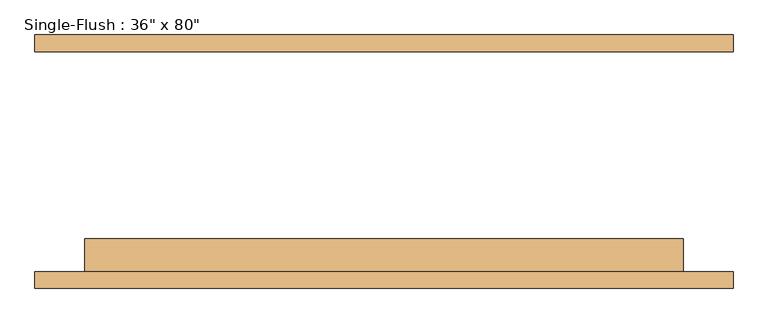
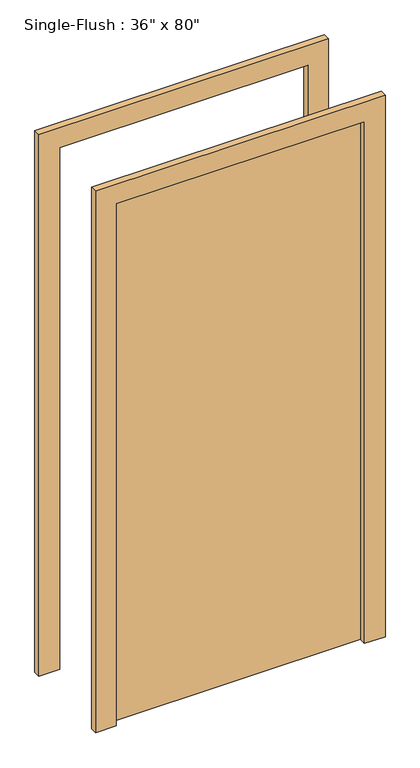
"""IFC4 building model written with IfcOpenShell, lengths in millimetres: door geometry."""

from ifc_helpers import new_model, si_unit, frame, origin, origin_with_axes, place, context, project, spatial, polyline, outline, extrude, source, transform, mapped, element, save


def door_1af371c0(model_context):
    return source(origin(), model_context, "Body", "SweptSolid", [
        extrude(outline(polyline([(2108.2, -533.4), (0.0, -533.4), (0.0, -457.2), (2032.0, -457.2), (2032.0, 457.2), (0.0, 457.2), (0.0, 533.4), (2108.2, 533.4), (2108.2, -533.4)])), frame((0.0, -193.675, 0.0), z_axis=(0.0, 1.0, 0.0), x_axis=(0.0, 0.0, 1.0)), (0.0, 0.0, 1.0), 25.4),
        extrude(outline(polyline([(2108.2, 533.4), (2108.2, -533.4), (0.0, -533.4), (0.0, -457.2), (2032.0, -457.2), (2032.0, 457.2), (0.0, 457.2), (0.0, 533.4), (2108.2, 533.4)])), frame((0.0, 168.275, 0.0), z_axis=(0.0, 1.0, 0.0), x_axis=(0.0, 0.0, 1.0)), (0.0, 0.0, 1.0), 25.4),
        extrude(outline(polyline([(457.2, -117.475), (457.2, -168.275), (-457.2, -168.275), (-457.2, -117.475), (457.2, -117.475)])), origin_with_axes(), (0.0, 0.0, 1.0), 2032.0),
    ])


if __name__ == "__main__":
    model = new_model("IFC4")
    model_context = context("Model", 3, world=origin())
    ifc_project = project(units=[si_unit("LENGTHUNIT", "METRE", prefix="MILLI")], contexts=[model_context])
    site = spatial("IfcSite", under=ifc_project)
    building = spatial("IfcBuilding", under=site)
    placement = place(None, origin())
    door_shape = door_1af371c0(model_context)
    element("IfcDoor", 1, ObjectType="Single-Flush : 36\" x 80\"", at=placement, inside=building, context=model_context, shape_type="MappedRepresentation", body=[
        mapped(door_shape, transform((0.0, 0.0, 0.0), x_axis=(1.0, 0.0, 0.0), y_axis=(0.0, 1.0, 0.0), z_axis=(0.0, 0.0, 1.0))),
    ])
    save(model, "model.ifc")
